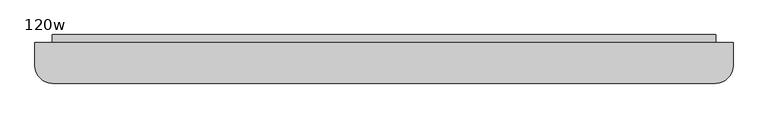
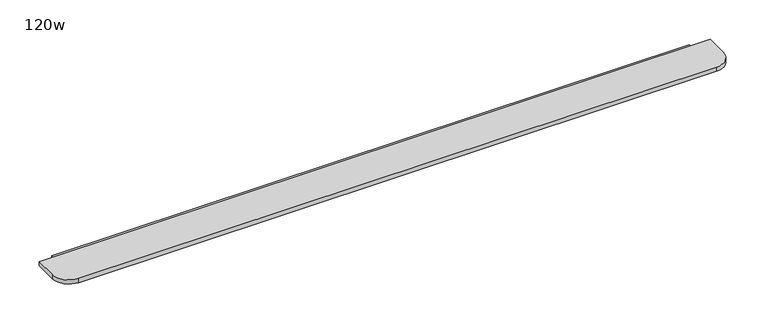
"""IFC4 building model written with IfcOpenShell, lengths in millimetres: furniture geometry, 120w."""

from ifc_helpers import new_model, si_unit, point, frame, frame_2d, origin, place, context, project, spatial, polyline, circle_curve, trimmed, segment, composite_curve, outline, extrude, source, transform, mapped, element, save


def furniture_120w_64f73871(model_context):
    return source(origin(), model_context, "Body", "SweptSolid", [
        extrude(outline(composite_curve([segment(polyline([(2446.6409467, 545.9364026), (2446.6409467, 428.8582776)]), True, "CONTINUOUS"), segment(trimmed(circle_curve(frame_2d((2427.5909467, 428.8582776)), 19.05), [point((2446.6409467, 428.8582776))], [point((2427.5909467, 409.8082776))], False, "CARTESIAN"), True, "CONTINUOUS"), segment(polyline([(2427.5909467, 409.8082776), (-429.9090533, 409.8082776)]), True, "CONTINUOUS"), segment(trimmed(circle_curve(frame_2d((-429.9090533, 428.8582776)), 19.05), [point((-429.9090533, 409.8082776))], [point((-448.9590533, 428.8582776))], False, "CARTESIAN"), True, "CONTINUOUS"), segment(polyline([(-448.9590533, 428.8582776), (-448.9590533, 545.9364026), (2446.6409467, 545.9364026)]), True, "CONTINUOUS")], self_intersect=False)), frame((0.0, 0.0, 996.35945), z_axis=(0.0, 0.0, 1.0), x_axis=(1.0, 0.0, 0.0)), (0.0, 0.0, 1.0), 3.96875),
        extrude(outline(composite_curve([segment(polyline([(2522.8409467, 511.4082776), (2522.8409467, 409.8082776)]), True, "CONTINUOUS"), segment(trimmed(circle_curve(frame_2d((2446.6409467, 409.8082776)), 76.2), [point((2522.8409467, 409.8082776))], [point((2446.6409467, 333.6082776))], False, "CARTESIAN"), True, "CONTINUOUS"), segment(polyline([(2446.6409467, 333.6082776), (-448.9590533, 333.6082776)]), True, "CONTINUOUS"), segment(trimmed(circle_curve(frame_2d((-448.9590533, 409.8082776)), 76.2), [point((-448.9590533, 333.6082776))], [point((-525.1590533, 409.8082776))], False, "CARTESIAN"), True, "CONTINUOUS"), segment(polyline([(-525.1590533, 409.8082776), (-525.1590533, 511.4082776), (2522.8409467, 511.4082776)]), True, "CONTINUOUS")], self_intersect=False)), frame((0.0, 0.0, 1000.3282), z_axis=(0.0, 0.0, 1.0), x_axis=(1.0, 0.0, 0.0)), (0.0, 0.0, 1.0), 19.9429687),
    ])


if __name__ == "__main__":
    model = new_model("IFC4")
    model_context = context("Model", 3, world=origin())
    ifc_project = project(units=[si_unit("LENGTHUNIT", "METRE", prefix="MILLI")], contexts=[model_context])
    site = spatial("IfcSite", under=ifc_project)
    building = spatial("IfcBuilding", under=site)
    placement = place(None, origin())
    furniture_120w_shape = furniture_120w_64f73871(model_context)
    element("IfcFurniture", 1, ObjectType="120w", at=placement, inside=building, context=model_context, shape_type="MappedRepresentation", body=[
        mapped(furniture_120w_shape, transform((0.0, 0.0, 0.0), x_axis=(1.0, 0.0, 0.0), y_axis=(0.0, 1.0, 0.0), z_axis=(0.0, 0.0, 1.0))),
    ])
    save(model, "model.ifc")
